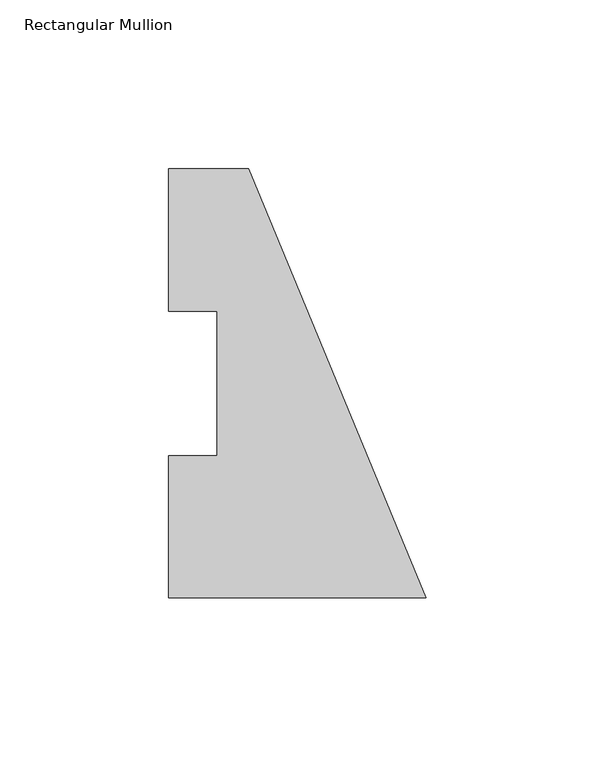
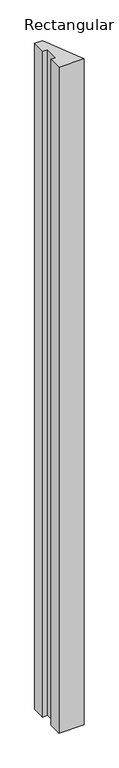
"""IFC4 building model written with IfcOpenShell, lengths in millimetres: member geometry, Rectangular Mullion."""

from ifc_helpers import new_model, si_unit, frame, origin, place, context, project, spatial, polyline, outline, extrude, source, transform, mapped, element, save


def rectangular_mullion_500df229(model_context):
    return source(origin(), model_context, "Body", "SweptSolid", [
        extrude(outline(polyline([(-76.2, -0.2913062), (-76.2, 41.7837938), (-61.9125, 41.7837938), (-61.9125, 84.6335938), (-76.2, 84.6335938), (-76.2, 126.7086938), (-52.6051224, 126.7086938), (0.0, -0.2913062), (-76.2, -0.2913062)])), frame((0.0, 0.0, -2133.6), z_axis=(0.0, 0.0, 1.0), x_axis=(1.0, 0.0, 0.0)), (0.0, 0.0, 1.0), 2133.6),
    ])


if __name__ == "__main__":
    model = new_model("IFC4")
    model_context = context("Model", 3, world=origin())
    ifc_project = project(units=[si_unit("LENGTHUNIT", "METRE", prefix="MILLI")], contexts=[model_context])
    site = spatial("IfcSite", under=ifc_project)
    building = spatial("IfcBuilding", under=site)
    placement = place(None, origin())
    rectangular_mullion_shape = rectangular_mullion_500df229(model_context)
    element("IfcMember", 1, ObjectType="Rectangular Mullion", at=placement, inside=building, context=model_context, shape_type="MappedRepresentation", body=[
        mapped(rectangular_mullion_shape, transform((0.0, 0.0, 0.0), x_axis=(1.0, 0.0, 0.0), y_axis=(0.0, 1.0, 0.0), z_axis=(0.0, 0.0, 1.0))),
    ])
    save(model, "model.ifc")
